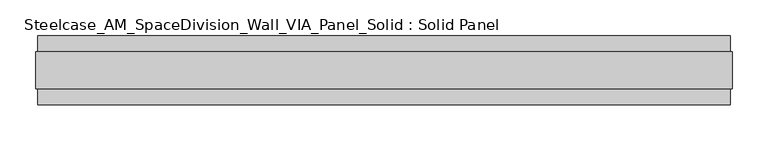
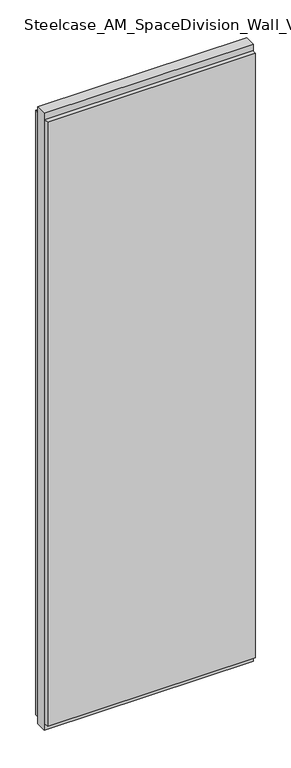
"""IFC4 building model written with IfcOpenShell, lengths in millimetres: plate geometry, Steelcase_AM_SpaceDivision_Wall_VIA_Panel_Solid : Solid Panel."""

from ifc_helpers import new_model, si_unit, frame, origin, origin_with_axes, place, context, project, spatial, polyline, outline, extrude, source, transform, mapped, element, save


def steelcase_am_spacedivision_wall_via_panel_solid_solid_panel_cfde1d6b(model_context):
    return source(origin(), model_context, "Body", "SweptSolid", [
        extrude(outline(polyline([(485.6643824, -48.4531867), (-485.6643824, -48.4531867), (-485.6643824, -25.9961), (485.6643824, -25.9961), (485.6643824, -48.4531867)])), frame((0.0, 0.0, 32.004), z_axis=(0.0, 0.0, 1.0), x_axis=(1.0, 0.0, 0.0)), (0.0, 0.0, 1.0), 2983.992),
        extrude(outline(polyline([(485.6643824, 25.9977), (-485.6643824, 25.9977), (-485.6643824, 48.4547867), (485.6643824, 48.4547867), (485.6643824, 25.9977)])), frame((0.0, 0.0, 32.004), z_axis=(0.0, 0.0, 1.0), x_axis=(1.0, 0.0, 0.0)), (0.0, 0.0, 1.0), 2983.992),
        extrude(outline(polyline([(488.6615824, -25.9961), (-488.6615824, -25.9961), (-488.6615824, 25.9977), (488.6615824, 25.9977), (488.6615824, -25.9961)])), origin_with_axes(), (0.0, 0.0, 1.0), 3048.0),
    ])


if __name__ == "__main__":
    model = new_model("IFC4")
    model_context = context("Model", 3, world=origin())
    ifc_project = project(units=[si_unit("LENGTHUNIT", "METRE", prefix="MILLI")], contexts=[model_context])
    site = spatial("IfcSite", under=ifc_project)
    building = spatial("IfcBuilding", under=site)
    placement = place(None, origin())
    steelcase_am_spacedivision_wall_via_panel_solid_solid_panel_shape = steelcase_am_spacedivision_wall_via_panel_solid_solid_panel_cfde1d6b(model_context)
    element("IfcPlate", 1, ObjectType="Steelcase_AM_SpaceDivision_Wall_VIA_Panel_Solid : Solid Panel", at=placement, inside=building, context=model_context, shape_type="MappedRepresentation", body=[
        mapped(steelcase_am_spacedivision_wall_via_panel_solid_solid_panel_shape, transform((0.0, 0.0, 0.0), x_axis=(1.0, 0.0, 0.0), y_axis=(0.0, 1.0, 0.0), z_axis=(0.0, 0.0, 1.0))),
    ])
    save(model, "model.ifc")
